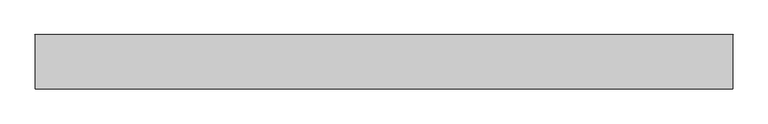
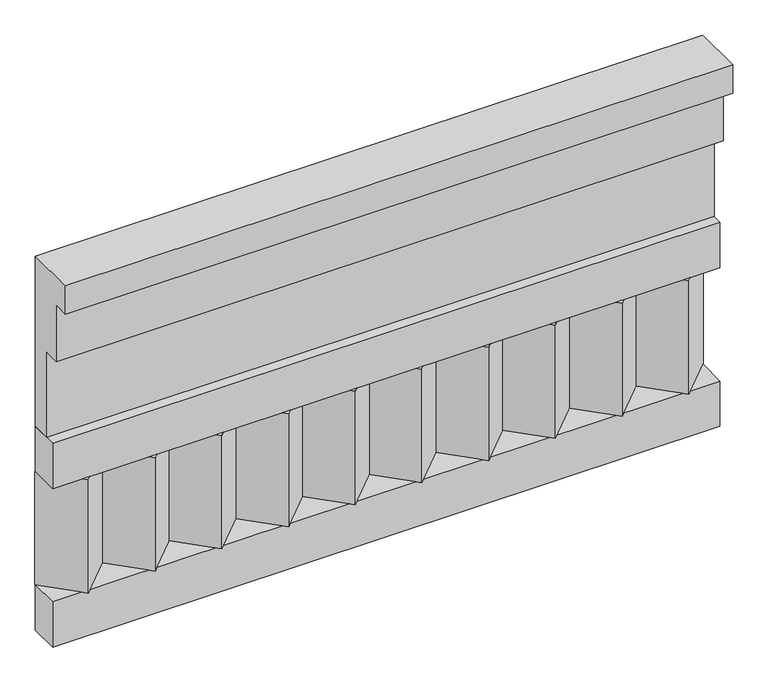
"""IFC4 building model written with IfcOpenShell, lengths in millimetres: railing geometry."""

from ifc_helpers import new_model, si_unit, frame, origin, place, context, project, spatial, polyline, outline, extrude, source, transform, mapped, element, save


def railing_1ab4c5ed(model_context):
    return source(origin(), model_context, "Body", "SweptSolid", [
        extrude(outline(polyline([(-16816.8920513, 31130.0), (-16816.8920513, 30680.0), (-16866.8920513, 30680.0), (-16866.8920513, 30905.0), (-16906.8920513, 30905.0), (-16906.8920513, 31055.0), (-16946.8920513, 31055.0), (-16946.8920513, 31130.0), (-16816.8920513, 31130.0)])), frame((5490.0112841, 0.0, 0.0), z_axis=(1.0, 0.0, 0.0), x_axis=(0.0, 1.0, 0.0)), (0.0, 0.0, 1.0), 1670.0),
        extrude(outline(polyline([(5490.0112841, -16891.8920513), (5490.0112841, -16816.8920513), (7160.0112841, -16816.8920513), (7160.0112841, -16891.8920513), (5490.0112841, -16891.8920513)])), frame((0.0, 0.0, 30560.0), z_axis=(0.0, 0.0, 1.0), x_axis=(1.0, 0.0, 0.0)), (0.0, 0.0, 1.0), 120.0),
        extrude(outline(polyline([(5490.0112841, -16891.8920513), (5490.0112841, -16816.8920513), (7160.0112841, -16816.8920513), (7160.0112841, -16891.8920513), (5490.0112841, -16891.8920513)])), frame((0.0, 0.0, 30140.0), z_axis=(0.0, 0.0, 1.0), x_axis=(1.0, 0.0, 0.0)), (0.0, 0.0, 1.0), 120.0),
        extrude(outline(polyline([(7076.5112841, -16901.7448651), (6991.6584704, -16816.8920513), (7161.3640978, -16816.8920513), (7076.5112841, -16901.7448651)])), frame((0.0, 0.0, 30260.0), z_axis=(0.0, 0.0, 1.0), x_axis=(1.0, 0.0, 0.0)), (0.0, 0.0, 1.0), 300.0),
        extrude(outline(polyline([(6909.5112841, -16901.7448651), (6824.6584704, -16816.8920513), (6994.3640978, -16816.8920513), (6909.5112841, -16901.7448651)])), frame((0.0, 0.0, 30260.0), z_axis=(0.0, 0.0, 1.0), x_axis=(1.0, 0.0, 0.0)), (0.0, 0.0, 1.0), 300.0),
        extrude(outline(polyline([(6742.5112841, -16901.7448651), (6657.6584704, -16816.8920513), (6827.3640978, -16816.8920513), (6742.5112841, -16901.7448651)])), frame((0.0, 0.0, 30260.0), z_axis=(0.0, 0.0, 1.0), x_axis=(1.0, 0.0, 0.0)), (0.0, 0.0, 1.0), 300.0),
        extrude(outline(polyline([(6575.5112841, -16901.7448651), (6490.6584704, -16816.8920513), (6660.3640978, -16816.8920513), (6575.5112841, -16901.7448651)])), frame((0.0, 0.0, 30260.0), z_axis=(0.0, 0.0, 1.0), x_axis=(1.0, 0.0, 0.0)), (0.0, 0.0, 1.0), 300.0),
        extrude(outline(polyline([(6408.5112841, -16901.7448651), (6323.6584704, -16816.8920513), (6493.3640978, -16816.8920513), (6408.5112841, -16901.7448651)])), frame((0.0, 0.0, 30260.0), z_axis=(0.0, 0.0, 1.0), x_axis=(1.0, 0.0, 0.0)), (0.0, 0.0, 1.0), 300.0),
        extrude(outline(polyline([(6241.5112841, -16901.7448651), (6156.6584704, -16816.8920513), (6326.3640978, -16816.8920513), (6241.5112841, -16901.7448651)])), frame((0.0, 0.0, 30260.0), z_axis=(0.0, 0.0, 1.0), x_axis=(1.0, 0.0, 0.0)), (0.0, 0.0, 1.0), 300.0),
        extrude(outline(polyline([(6074.5112841, -16901.7448651), (5989.6584704, -16816.8920513), (6159.3640978, -16816.8920513), (6074.5112841, -16901.7448651)])), frame((0.0, 0.0, 30260.0), z_axis=(0.0, 0.0, 1.0), x_axis=(1.0, 0.0, 0.0)), (0.0, 0.0, 1.0), 300.0),
        extrude(outline(polyline([(5907.5112841, -16901.7448651), (5822.6584704, -16816.8920513), (5992.3640978, -16816.8920513), (5907.5112841, -16901.7448651)])), frame((0.0, 0.0, 30260.0), z_axis=(0.0, 0.0, 1.0), x_axis=(1.0, 0.0, 0.0)), (0.0, 0.0, 1.0), 300.0),
        extrude(outline(polyline([(5740.5112841, -16901.7448651), (5655.6584704, -16816.8920513), (5825.3640978, -16816.8920513), (5740.5112841, -16901.7448651)])), frame((0.0, 0.0, 30260.0), z_axis=(0.0, 0.0, 1.0), x_axis=(1.0, 0.0, 0.0)), (0.0, 0.0, 1.0), 300.0),
        extrude(outline(polyline([(5573.5112841, -16901.7448651), (5488.6584704, -16816.8920513), (5658.3640978, -16816.8920513), (5573.5112841, -16901.7448651)])), frame((0.0, 0.0, 30260.0), z_axis=(0.0, 0.0, 1.0), x_axis=(1.0, 0.0, 0.0)), (0.0, 0.0, 1.0), 300.0),
    ])


if __name__ == "__main__":
    model = new_model("IFC4")
    model_context = context("Model", 3, world=origin())
    ifc_project = project(units=[si_unit("LENGTHUNIT", "METRE", prefix="MILLI")], contexts=[model_context])
    site = spatial("IfcSite", under=ifc_project)
    building = spatial("IfcBuilding", under=site)
    placement = place(None, origin())
    railing_shape = railing_1ab4c5ed(model_context)
    element("IfcRailing", 1, at=placement, inside=building, context=model_context, shape_type="MappedRepresentation", body=[
        mapped(railing_shape, transform((0.0, 0.0, 0.0), x_axis=(1.0, 0.0, 0.0), y_axis=(0.0, 1.0, 0.0), z_axis=(0.0, 0.0, 1.0))),
    ])
    save(model, "model.ifc")
